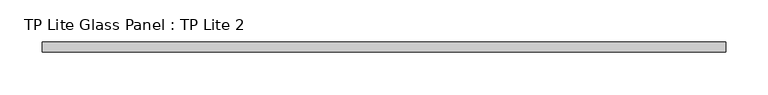
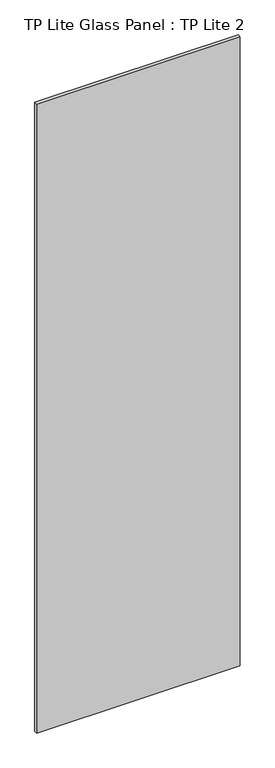
"""IFC4 building model written with IfcOpenShell, lengths in millimetres: plate geometry, TP Lite Glass Panel : TP Lite 2."""

from ifc_helpers import new_model, si_unit, origin, origin_with_axes, place, context, project, spatial, polyline, outline, extrude, source, transform, mapped, element, save


def tp_lite_glass_panel_tp_lite_2_15495ce3(model_context):
    return source(origin(), model_context, "Body", "SweptSolid", [
        extrude(outline(polyline([(404.5000004, -6.0), (-404.5000004, -6.0), (-404.5000004, 6.0), (404.5000004, 6.0), (404.5000004, -6.0)])), origin_with_axes(), (0.0, 0.0, 1.0), 2640.0000015),
    ])


if __name__ == "__main__":
    model = new_model("IFC4")
    model_context = context("Model", 3, world=origin())
    ifc_project = project(units=[si_unit("LENGTHUNIT", "METRE", prefix="MILLI")], contexts=[model_context])
    site = spatial("IfcSite", under=ifc_project)
    building = spatial("IfcBuilding", under=site)
    placement = place(None, origin())
    tp_lite_glass_panel_tp_lite_2_shape = tp_lite_glass_panel_tp_lite_2_15495ce3(model_context)
    element("IfcPlate", 1, ObjectType="TP Lite Glass Panel : TP Lite 2", at=placement, inside=building, context=model_context, shape_type="MappedRepresentation", body=[
        mapped(tp_lite_glass_panel_tp_lite_2_shape, transform((0.0, 0.0, 0.0), x_axis=(1.0, 0.0, 0.0), y_axis=(0.0, 1.0, 0.0), z_axis=(0.0, 0.0, 1.0))),
    ])
    save(model, "model.ifc")
